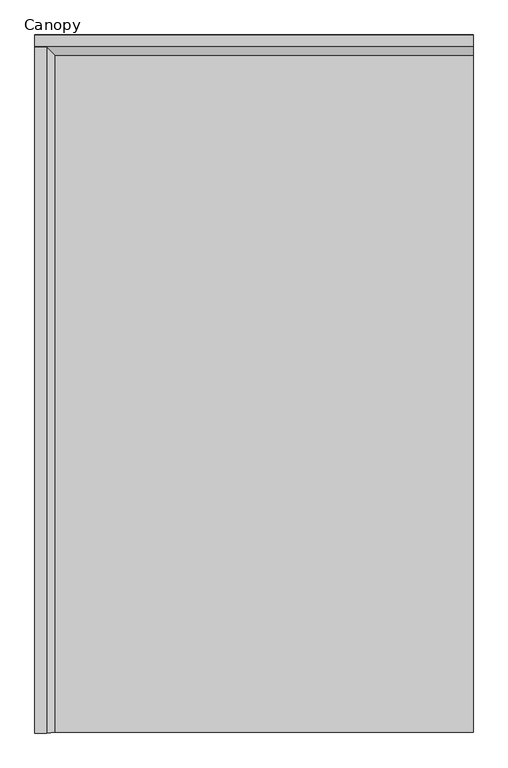
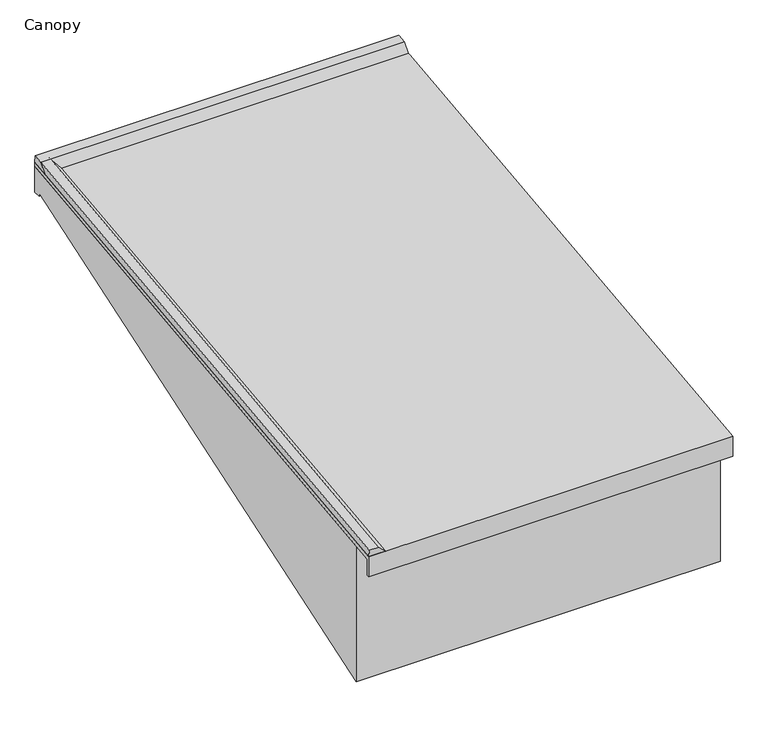
"""IFC4 building model written with IfcOpenShell, lengths in millimetres: proxy geometry, Canopy."""

import ifcopenshell
import ifcopenshell.guid

model = None  # the IFC model being written
_history = None  # IfcOwnerHistory: only IFC2X3 demands one
_inside = {}  # id of a spatial element -> (the spatial element, [elements in it])
_under = {}  # id of a project, library or spatial element -> (it, [spatial elements below it])
_declared = {}  # id of a project -> (the project, [libraries it declares])
_typed = {}  # id of a type object -> (the type object, [elements of that type])
_made_of = {}  # id of a material, layer set ... -> (it, [elements and type objects made of it])


def new_model(schema):
    """Start an empty IFC model of exactly this schema.

    Asked for "IFC4X3", IfcOpenShell would pick the latest addendum, in which some entities
    have other attributes; the version numbers below select the first issue.
    IFC2X3 requires an IfcOwnerHistory on every rooted entity: one is made here for all.
    """
    global model, _history
    if schema == "IFC4X3":
        model = ifcopenshell.file(schema_version=(4, 3, 0, 0))
    else:
        model = ifcopenshell.file(schema=schema)
    _inside.clear()
    _under.clear()
    _declared.clear()
    _typed.clear()
    _made_of.clear()
    _history = None
    if model.schema == "IFC2X3":
        org = make("IfcOrganization", Name="unknown")
        user = make(
            "IfcPersonAndOrganization",
            ThePerson=make("IfcPerson", FamilyName="unknown"),
            TheOrganization=org,
        )
        app = make(
            "IfcApplication",
            ApplicationDeveloper=org,
            Version="unknown",
            ApplicationFullName="unknown",
            ApplicationIdentifier="unknown",
        )
        _history = make(
            "IfcOwnerHistory",
            OwningUser=user,
            OwningApplication=app,
            ChangeAction="ADDED",
            CreationDate=0,
        )
    return model


def make(cls, **values):
    """One entity of the class cls with the attributes given. An attribute that is None is left unset."""
    return model.create_entity(
        cls, **{name: value for name, value in values.items() if value is not None}
    )


def rooted(cls, **values):
    """An entity with a GlobalId (a new one), such as an element, a storey or a relation."""
    return make(cls, GlobalId=ifcopenshell.guid.new(), OwnerHistory=_history, **values)


def si_unit(unit_type, name, prefix=None):
    """IfcSIUnit, for example si_unit("LENGTHUNIT", "METRE", prefix="MILLI")."""
    return make("IfcSIUnit", UnitType=unit_type, Prefix=prefix, Name=name)


def assignment(units):
    """IfcUnitAssignment: the units of a project."""
    return None if units is None else make("IfcUnitAssignment", Units=units)


def point(xyz):
    """IfcCartesianPoint."""
    return None if xyz is None else make("IfcCartesianPoint", Coordinates=xyz)


def direction(xyz):
    """IfcDirection."""
    return None if xyz is None else make("IfcDirection", DirectionRatios=xyz)


def frame(location, z_axis=None, x_axis=None):
    """IfcAxis2Placement3D, a coordinate frame: its origin and axes. An axis left out is left unset."""
    return make(
        "IfcAxis2Placement3D",
        Location=point(location),
        Axis=direction(z_axis),
        RefDirection=direction(x_axis),
    )


def origin():
    """The frame at (0, 0, 0) with its axes left unset."""
    return frame((0.0, 0.0, 0.0))


def place(relative_to, where):
    """IfcLocalPlacement: puts the frame where relative to a parent placement (None: the world)."""
    return make(
        "IfcLocalPlacement", PlacementRelTo=relative_to, RelativePlacement=where
    )


def context(
    kind, dimensions, precision=None, world=None, true_north=None, identifier=None
):
    """IfcGeometricRepresentationContext, for example the 3D "Model" context."""
    return make(
        "IfcGeometricRepresentationContext",
        ContextIdentifier=identifier,
        ContextType=kind,
        CoordinateSpaceDimension=dimensions,
        Precision=precision,
        WorldCoordinateSystem=world,
        TrueNorth=true_north,
    )


def project(units=None, contexts=None):
    """IfcProject with its units and contexts."""
    return rooted(
        "IfcProject",
        Name="project",
        RepresentationContexts=contexts,
        UnitsInContext=assignment(units),
    )


def spatial(cls, under=None, at=None, **own):
    """A site, building, storey or space (cls), placed at a placement, below another one or the project."""
    s = rooted(cls, ObjectPlacement=at, **own)
    if under is not None:
        _under.setdefault(under.id(), (under, []))[1].append(s)
    return s


def polyline(points):
    """IfcPolyline through the points."""
    return make("IfcPolyline", Points=[point(p) for p in points])


def outline(outer, holes=None, kind="AREA"):
    """IfcArbitraryClosedProfileDef: a profile drawn as a closed curve; with holes, ...WithVoids."""
    if holes is None:
        return make("IfcArbitraryClosedProfileDef", ProfileType=kind, OuterCurve=outer)
    return make(
        "IfcArbitraryProfileDefWithVoids",
        ProfileType=kind,
        OuterCurve=outer,
        InnerCurves=holes,
    )


def extrude(swept, where, along, depth):
    """IfcExtrudedAreaSolid: the profile swept, set in the frame where, extruded along a direction by depth."""
    return make(
        "IfcExtrudedAreaSolid",
        SweptArea=swept,
        Position=where,
        ExtrudedDirection=direction(along),
        Depth=depth,
    )


def shape(context_of_items, identifier, shape_type, items):
    """IfcShapeRepresentation: the items that make up one representation, for example the "Body"."""
    return make(
        "IfcShapeRepresentation",
        ContextOfItems=context_of_items,
        RepresentationIdentifier=identifier,
        RepresentationType=shape_type,
        Items=items,
    )


def source(mapping_origin, context_of_items, identifier, shape_type, items):
    """IfcRepresentationMap: a shape defined once, which mapped items show again and again."""
    return make(
        "IfcRepresentationMap",
        MappingOrigin=mapping_origin,
        MappedRepresentation=shape(context_of_items, identifier, shape_type, items),
    )


def transform(
    local_origin,
    x_axis=None,
    y_axis=None,
    z_axis=None,
    scale=None,
    scale2=None,
    scale3=None,
    uniform=True,
):
    """IfcCartesianTransformationOperator3D, or its non-uniform kind. x_axis, y_axis, z_axis: its Axis1, 2, 3."""
    if uniform:
        return make(
            "IfcCartesianTransformationOperator3D",
            Axis1=direction(x_axis),
            Axis2=direction(y_axis),
            LocalOrigin=point(local_origin),
            Scale=scale,
            Axis3=direction(z_axis),
        )
    return make(
        "IfcCartesianTransformationOperator3DnonUniform",
        Axis1=direction(x_axis),
        Axis2=direction(y_axis),
        LocalOrigin=point(local_origin),
        Scale=scale,
        Axis3=direction(z_axis),
        Scale2=scale2,
        Scale3=scale3,
    )


def mapped(mapping_source, mapping_target):
    """IfcMappedItem: shows the shape of a source again, moved by a transform."""
    return make(
        "IfcMappedItem", MappingSource=mapping_source, MappingTarget=mapping_target
    )


def made_of(thing, what):
    """Note that an element or type object is made of a material, layer set ...; save() writes the relation."""
    if what is not None:
        _made_of.setdefault(what.id(), (what, []))[1].append(thing)
    return thing


def element(
    cls,
    number,
    at=None,
    inside=None,
    cuts=None,
    type_object=None,
    material=None,
    context=None,
    identifier="Body",
    shape_type=None,
    held_by="IfcProductDefinitionShape",
    body=None,
    shapes=None,
    **own,
):
    """One element of the class cls, such as IfcWall. Its Tag is "e" and its number.

    at: its placement. inside: the storey or other place that contains it. cuts: it is an
    opening in that element (IfcRelVoidsElement). A single representation is given by context,
    identifier, shape_type and body (its items); several are given by shapes. held_by: the class
    of the entity that holds the representations. save() writes the other relations.
    """
    e = rooted(cls, Tag="e%d" % number, ObjectPlacement=at, **own)
    if body is not None:
        shapes = [shape(context, identifier, shape_type, body)]
    if shapes is not None:
        e.Representation = make(held_by, Representations=shapes)
    if inside is not None:
        _inside.setdefault(inside.id(), (inside, []))[1].append(e)
    if cuts is not None:
        rooted(
            "IfcRelVoidsElement", RelatingBuildingElement=cuts, RelatedOpeningElement=e
        )
    if type_object is not None:
        _typed.setdefault(type_object.id(), (type_object, []))[1].append(e)
    return made_of(e, material)


def aggregate(whole, parts):
    """IfcRelAggregates: a whole, such as a stair, and the parts it consists of."""
    return rooted("IfcRelAggregates", RelatingObject=whole, RelatedObjects=parts)


def save(model, path):
    """Write the relations noted so far, then the file.

    IfcRelAggregates (storeys below a building ...), IfcRelContainedInSpatialStructure (elements
    in a storey), IfcRelDefinesByType, IfcRelAssociatesMaterial and IfcRelDeclares: one each for
    every whole, place, type object, material and project.
    """
    for whole, parts in _under.values():
        aggregate(whole, parts)
    for where, things in _inside.values():
        rooted(
            "IfcRelContainedInSpatialStructure",
            RelatedElements=things,
            RelatingStructure=where,
        )
    for kind, things in _typed.values():
        rooted("IfcRelDefinesByType", RelatedObjects=things, RelatingType=kind)
    for what, things in _made_of.values():
        rooted("IfcRelAssociatesMaterial", RelatedObjects=things, RelatingMaterial=what)
    for by, libraries in _declared.values():
        rooted("IfcRelDeclares", RelatingContext=by, RelatedDefinitions=libraries)
    model.write(path)


def canopy_bb277d98(model_context):
    return source(origin(), model_context, "Body", "SweptSolid", [
        extrude(outline(polyline([(2992.4375, 3465.4132812), (2903.8993521, 3455.2682851), (2940.1563087, 3497.7720264), (2990.7495361, 3503.569167), (2992.4375, 3465.4132812)])), frame((-4267.2, 0.0, 0.0), z_axis=(1.0, 0.0, 0.0), x_axis=(0.0, 1.0, 0.0)), (0.0, 0.0, 1.0), 1917.7),
        extrude(outline(polyline([(-55.5625, 3116.1632813), (2992.4375, 3465.4132813), (2992.4375, 3442.7432533), (-42.8625, 3094.9484617), (-42.8625, 3003.55), (-55.5625, 3003.55), (-55.5625, 3116.1632813)])), frame((-4267.2, 0.0, 0.0), z_axis=(1.0, 0.0, 0.0), x_axis=(0.0, 1.0, 0.0)), (0.0, 0.0, 1.0), 1917.7),
        extrude(outline(polyline([(58.7375, 3106.5901283), (2992.4375, 3442.7432533), (2992.4375, 3298.6776283), (2954.3375, 3298.6776283), (2954.3375, 3314.7), (58.7375, 2349.5), (58.7375, 3106.5901283)])), frame((-4267.2, 0.0, 0.0), z_axis=(1.0, 0.0, 0.0), x_axis=(0.0, 1.0, 0.0)), (0.0, 0.0, 1.0), 1917.7),
        extrude(outline(polyline([(38.1932041, 0.0), (38.1932041, -88.9932041), (0.0, -50.8), (0.0, 0.0), (38.1932041, 0.0)])), frame((-4267.2, -59.8074984, 3154.1199875), z_axis=(0.0, 0.9934992729730003, 0.1138384583614861), x_axis=(0.0, 0.1138384583614861, -0.9934992729730003)), (0.0, 0.0, 1.0), 3067.8403355),
    ])


if __name__ == "__main__":
    model = new_model("IFC4")
    model_context = context("Model", 3, world=origin())
    ifc_project = project(units=[si_unit("LENGTHUNIT", "METRE", prefix="MILLI")], contexts=[model_context])
    site = spatial("IfcSite", under=ifc_project)
    building = spatial("IfcBuilding", under=site)
    placement = place(None, origin())
    canopy_shape = canopy_bb277d98(model_context)
    element("IfcBuildingElementProxy", 1, Name="Canopy", ObjectType="Canopy", at=placement, inside=building, context=model_context, shape_type="MappedRepresentation", body=[
        mapped(canopy_shape, transform((0.0, 0.0, 0.0), x_axis=(1.0, 0.0, 0.0), y_axis=(0.0, 1.0, 0.0), z_axis=(0.0, 0.0, 1.0))),
    ])
    save(model, "model.ifc")
